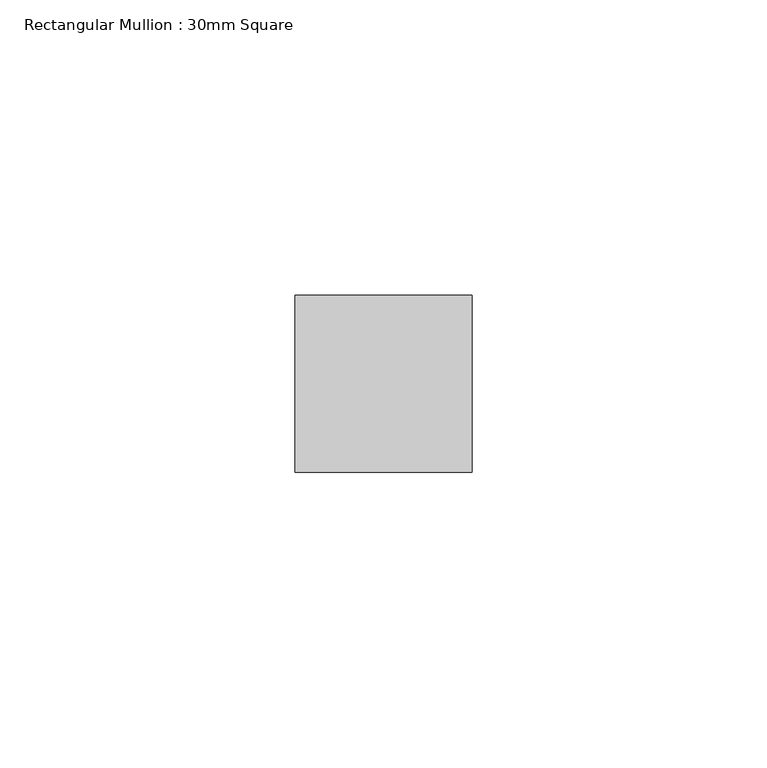
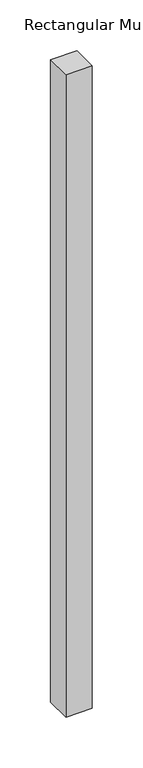
"""IFC4 building model written with IfcOpenShell, lengths in millimetres: member geometry, Rectangular Mullion : 30mm Square."""

from ifc_helpers import new_model, si_unit, frame, origin, place, context, project, spatial, polyline, outline, extrude, source, transform, mapped, element, save


def rectangular_mullion_30mm_square_2496c7f8(model_context):
    return source(origin(), model_context, "Body", "SweptSolid", [
        extrude(outline(polyline([(15.0, 15.0), (15.0, -15.0), (-15.0, -15.0), (-15.0, 15.0), (15.0, 15.0)])), frame((0.0, 0.0, -772.3076815), z_axis=(0.0, 0.0, 1.0), x_axis=(1.0, 0.0, 0.0)), (0.0, 0.0, 1.0), 772.3076815),
    ])


if __name__ == "__main__":
    model = new_model("IFC4")
    model_context = context("Model", 3, world=origin())
    ifc_project = project(units=[si_unit("LENGTHUNIT", "METRE", prefix="MILLI")], contexts=[model_context])
    site = spatial("IfcSite", under=ifc_project)
    building = spatial("IfcBuilding", under=site)
    placement = place(None, origin())
    rectangular_mullion_30mm_square_shape = rectangular_mullion_30mm_square_2496c7f8(model_context)
    element("IfcMember", 1, ObjectType="Rectangular Mullion : 30mm Square", at=placement, inside=building, context=model_context, shape_type="MappedRepresentation", body=[
        mapped(rectangular_mullion_30mm_square_shape, transform((0.0, 0.0, 0.0), x_axis=(1.0, 0.0, 0.0), y_axis=(0.0, 1.0, 0.0), z_axis=(0.0, 0.0, 1.0))),
    ])
    save(model, "model.ifc")
